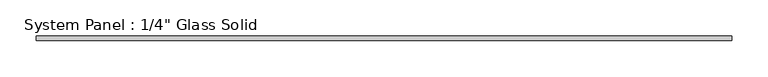
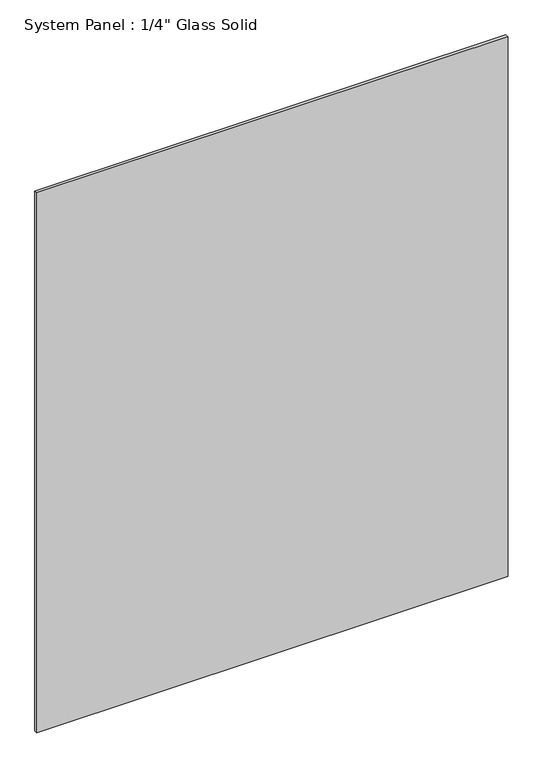
"""IFC4 building model written with IfcOpenShell, lengths in millimetres: plate geometry."""

from ifc_helpers import new_model, si_unit, origin, origin_with_axes, place, context, project, spatial, polyline, outline, extrude, source, transform, mapped, element, save


def plate_71d84eb0(model_context):
    return source(origin(), model_context, "Body", "SweptSolid", [
        extrude(outline(polyline([(480.4345691, -3.175), (-480.4345691, -3.175), (-480.4345691, 3.175), (480.4345691, 3.175), (480.4345691, -3.175)])), origin_with_axes(), (0.0, 0.0, 1.0), 1164.0691382),
    ])


if __name__ == "__main__":
    model = new_model("IFC4")
    model_context = context("Model", 3, world=origin())
    ifc_project = project(units=[si_unit("LENGTHUNIT", "METRE", prefix="MILLI")], contexts=[model_context])
    site = spatial("IfcSite", under=ifc_project)
    building = spatial("IfcBuilding", under=site)
    placement = place(None, origin())
    plate_shape = plate_71d84eb0(model_context)
    element("IfcPlate", 1, ObjectType="System Panel : 1/4\" Glass Solid", at=placement, inside=building, context=model_context, shape_type="MappedRepresentation", body=[
        mapped(plate_shape, transform((0.0, 0.0, 0.0), x_axis=(1.0, 0.0, 0.0), y_axis=(0.0, 1.0, 0.0), z_axis=(0.0, 0.0, 1.0))),
    ])
    save(model, "model.ifc")
